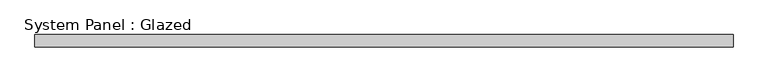
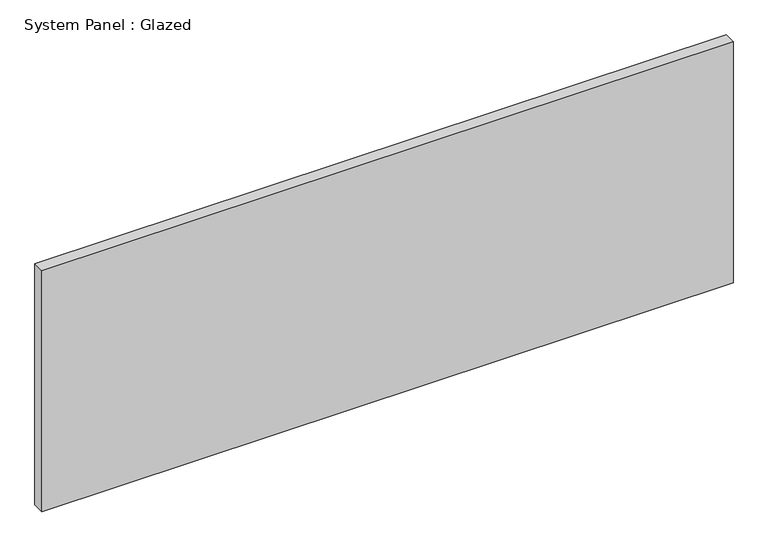
"""IFC4 building model written with IfcOpenShell, lengths in millimetres: plate geometry, System Panel : Glazed."""

from ifc_helpers import new_model, si_unit, origin, origin_with_axes, place, context, project, spatial, polyline, outline, extrude, source, transform, mapped, element, save


def system_panel_glazed_0e69779c(model_context):
    return source(origin(), model_context, "Body", "SweptSolid", [
        extrude(outline(polyline([(712.5, 24.5), (-712.5, 24.5), (-712.5, 49.5), (712.5, 49.5), (712.5, 24.5)])), origin_with_axes(), (0.0, 0.0, 1.0), 525.0),
    ])


if __name__ == "__main__":
    model = new_model("IFC4")
    model_context = context("Model", 3, world=origin())
    ifc_project = project(units=[si_unit("LENGTHUNIT", "METRE", prefix="MILLI")], contexts=[model_context])
    site = spatial("IfcSite", under=ifc_project)
    building = spatial("IfcBuilding", under=site)
    placement = place(None, origin())
    system_panel_glazed_shape = system_panel_glazed_0e69779c(model_context)
    element("IfcPlate", 1, ObjectType="System Panel : Glazed", at=placement, inside=building, context=model_context, shape_type="MappedRepresentation", body=[
        mapped(system_panel_glazed_shape, transform((0.0, 0.0, 0.0), x_axis=(1.0, 0.0, 0.0), y_axis=(0.0, 1.0, 0.0), z_axis=(0.0, 0.0, 1.0))),
    ])
    save(model, "model.ifc")
